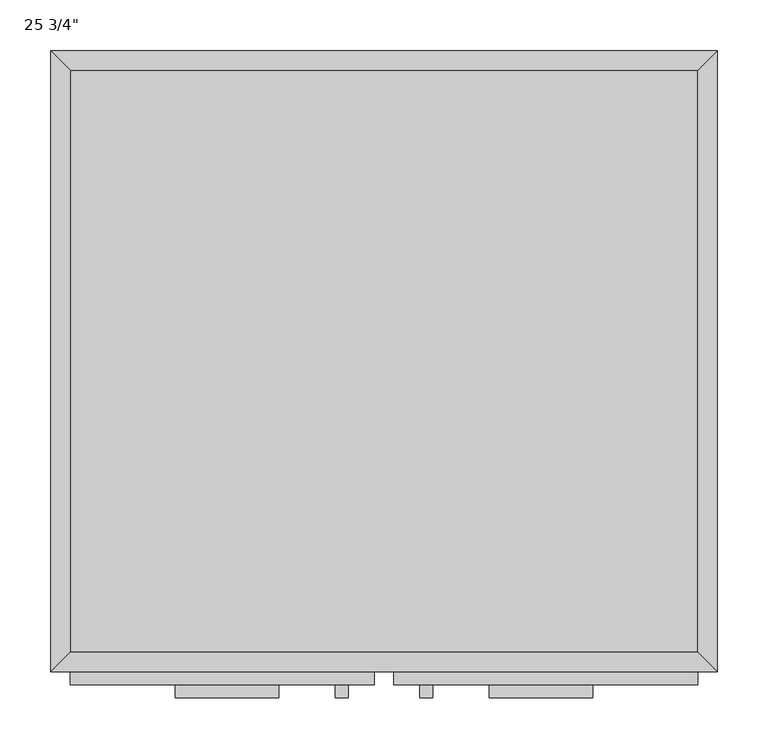
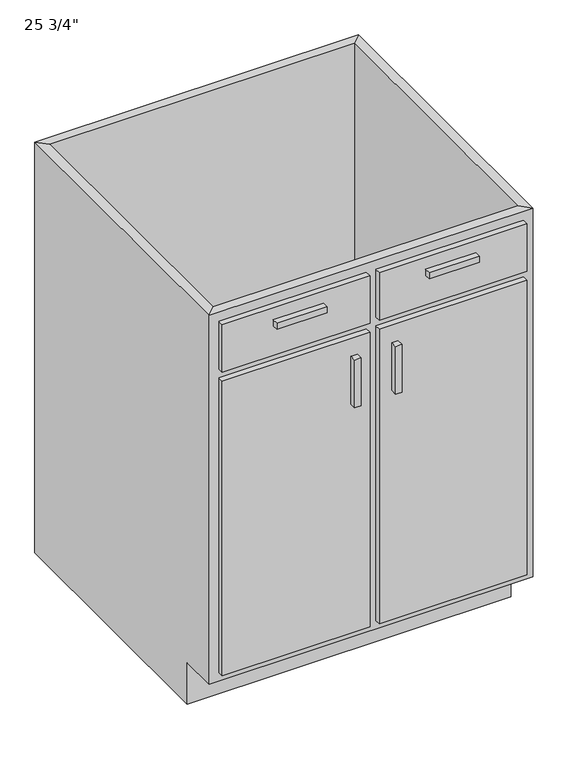
"""IFC4 building model written with IfcOpenShell, lengths in millimetres: furniture geometry."""

from ifc_helpers import new_model, si_unit, frame, origin, place, context, project, spatial, polyline, outline, extrude, faceted_brep, source, transform, mapped, element, save


def furniture_c5e013aa(model_context):
    return source(origin(), model_context, "Body", "SolidModel", [
        faceted_brep([(326.7127049, -590.55, 876.3), (326.7127049, -590.55, 88.9), (-289.2372951, -590.55, 88.9), (-289.2372951, -590.55, 876.3), (-308.2872951, -609.6, 876.3), (345.7627049, -609.6, 876.3), (-308.2872951, -609.6, 88.9), (345.7627049, -609.6, 88.9), (-289.2372951, -533.4, 88.9), (-289.2372951, -19.05, 88.9), (-289.2372951, -19.05, 876.3), (-308.2872951, 0.0, 876.3), (-308.2872951, 0.0, 0.0), (-308.2872951, -533.4, 0.0), (-308.2872951, -533.4, 88.9), (326.7127049, -19.05, 88.9), (326.7127049, -19.05, 876.3), (345.7627049, 0.0, 876.3), (345.7627049, 0.0, 0.0), (326.7127049, -533.4, 88.9), (345.7627049, -533.4, 88.9), (345.7627049, -533.4, 0.0)], [[[0, 1, 2, 3]], [[0, 3, 4, 5]], [[5, 4, 6, 7]], [[2, 1, 7, 6]], [[3, 2, 8, 9, 10]], [[4, 3, 10, 11]], [[6, 4, 11, 12, 13, 14]], [[2, 6, 14, 8]], [[10, 9, 15, 16]], [[11, 10, 16, 17]], [[12, 11, 17, 18]], [[1, 0, 16, 15, 19]], [[0, 5, 17, 16]], [[5, 7, 20, 21, 18, 17]], [[7, 1, 19, 20]], [[8, 19, 15, 9]], [[18, 21, 13, 12]], [[13, 21, 20, 19, 8, 14]]]),
        extrude(outline(polyline([(-84.4497951, -635.0), (-186.0497951, -635.0), (-186.0497951, -622.3), (-84.4497951, -622.3), (-84.4497951, -635.0)])), frame((0.0, 0.0, 819.15), z_axis=(0.0, 0.0, 1.0), x_axis=(1.0, 0.0, 0.0)), (0.0, 0.0, 1.0), 12.7),
        extrude(outline(polyline([(223.5252049, -635.0), (121.9252049, -635.0), (121.9252049, -622.3), (223.5252049, -622.3), (223.5252049, -635.0)])), frame((0.0, 0.0, 819.15), z_axis=(0.0, 0.0, 1.0), x_axis=(1.0, 0.0, 0.0)), (0.0, 0.0, 1.0), 12.7),
        extrude(outline(polyline([(-16.1872951, -635.0), (-28.8872951, -635.0), (-28.8872951, -622.3), (-16.1872951, -622.3), (-16.1872951, -635.0)])), frame((0.0, 0.0, 596.9), z_axis=(0.0, 0.0, 1.0), x_axis=(1.0, 0.0, 0.0)), (0.0, 0.0, 1.0), 101.6),
        extrude(outline(polyline([(66.3627049, -635.0), (53.6627049, -635.0), (53.6627049, -622.3), (66.3627049, -622.3), (66.3627049, -635.0)])), frame((0.0, 0.0, 596.9), z_axis=(0.0, 0.0, 1.0), x_axis=(1.0, 0.0, 0.0)), (0.0, 0.0, 1.0), 101.6),
        extrude(outline(polyline([(326.7127049, -19.05), (326.7127049, -590.55), (-289.2372951, -590.55), (-289.2372951, -19.05), (326.7127049, -19.05)])), frame((0.0, 0.0, 88.9), z_axis=(0.0, 0.0, 1.0), x_axis=(1.0, 0.0, 0.0)), (0.0, 0.0, 1.0), 19.05),
        extrude(outline(polyline([(9.2127049, -622.3), (-289.2372951, -622.3), (-289.2372951, -609.6), (9.2127049, -609.6), (9.2127049, -622.3)])), frame((0.0, 0.0, 755.65), z_axis=(0.0, 0.0, 1.0), x_axis=(1.0, 0.0, 0.0)), (0.0, 0.0, 1.0), 101.6),
        extrude(outline(polyline([(326.7127049, -622.3), (28.2627049, -622.3), (28.2627049, -609.6), (326.7127049, -609.6), (326.7127049, -622.3)])), frame((0.0, 0.0, 755.65), z_axis=(0.0, 0.0, 1.0), x_axis=(1.0, 0.0, 0.0)), (0.0, 0.0, 1.0), 101.6),
        extrude(outline(polyline([(9.2127049, -622.3), (-289.2372951, -622.3), (-289.2372951, -609.6), (9.2127049, -609.6), (9.2127049, -622.3)])), frame((0.0, 0.0, 107.95), z_axis=(0.0, 0.0, 1.0), x_axis=(1.0, 0.0, 0.0)), (0.0, 0.0, 1.0), 628.65),
        extrude(outline(polyline([(326.7127049, -622.3), (28.2627049, -622.3), (28.2627049, -609.6), (326.7127049, -609.6), (326.7127049, -622.3)])), frame((0.0, 0.0, 107.95), z_axis=(0.0, 0.0, 1.0), x_axis=(1.0, 0.0, 0.0)), (0.0, 0.0, 1.0), 628.65),
    ])


if __name__ == "__main__":
    model = new_model("IFC4")
    model_context = context("Model", 3, world=origin())
    ifc_project = project(units=[si_unit("LENGTHUNIT", "METRE", prefix="MILLI")], contexts=[model_context])
    site = spatial("IfcSite", under=ifc_project)
    building = spatial("IfcBuilding", under=site)
    placement = place(None, origin())
    furniture_shape = furniture_c5e013aa(model_context)
    element("IfcFurniture", 1, ObjectType="25 3/4\"", at=placement, inside=building, context=model_context, shape_type="MappedRepresentation", body=[
        mapped(furniture_shape, transform((0.0, 0.0, 0.0), x_axis=(1.0, 0.0, 0.0), y_axis=(0.0, 1.0, 0.0), z_axis=(0.0, 0.0, 1.0))),
    ])
    save(model, "model.ifc")
